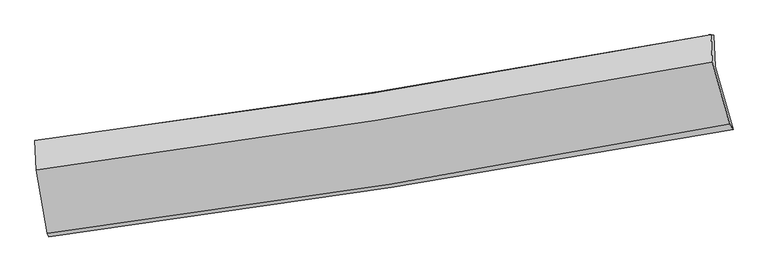
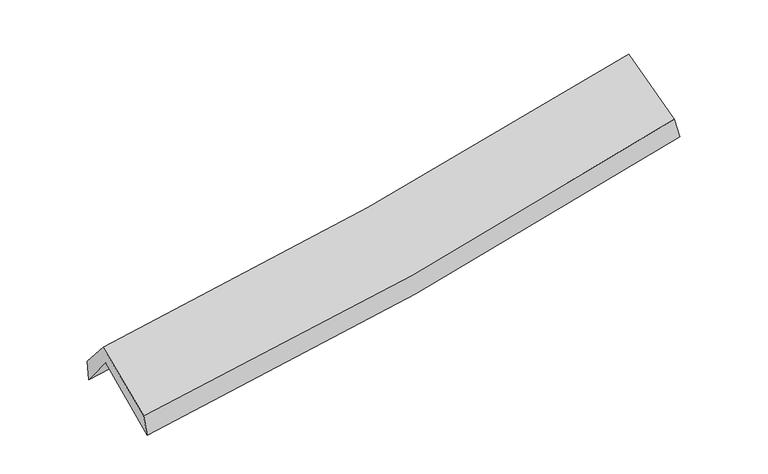
"""IFC4 building model written with IfcOpenShell, lengths in millimetres: proxy geometry."""

from ifc_helpers import new_model, si_unit, frame, origin, place, context, project, spatial, source, transform, mapped, element, save
from ifc_brep_helpers import plane_surface, spline_curve, spline_surface, advanced_brep


def generic_models_9d73f594(model_context):
    return source(origin(), model_context, "Body", "AdvancedBrep", [
        advanced_brep(
        [(-2631.8835746, -2496.7392099, 1475.1674181), (-2719.5632784, -1990.528313, 1907.3749983), (2652.4112904, -1144.7375965, 2384.3762152), (2794.7065397, -1641.8874502, 1976.3443505), (-2731.6352228, -1731.2554392, 1587.2645782), (2641.7074525, -894.7778432, 2067.7498951), (-2743.0555003, -1728.887685, 1770.8477598), (2619.8102413, -891.1888448, 2249.6810109), (-2731.1605048, -1963.8463293, 2045.1880868), (2629.9456886, -1108.8709724, 2518.44155), (-2646.2479144, -2467.2238928, 1652.9375931), (2768.8585448, -1601.6933343, 2132.3468893)],
        [
            (0, 1),
            (1, 2, spline_curve(3, [(-2719.5632784, -1990.528313, 1907.3749983), (-1820.120286986, -1873.417073163, 1953.72605689), (-924.059370707, -1744.624068601, 2016.48404224), (866.639411299, -1462.83403702, 2175.287527969), (1761.2366847, -1309.696803055, 2271.529948169), (2652.4112904, -1144.7375965, 2384.3762152)], [4, 2, 4], [0.0, 8.9781263340185, 18.009970832385772])),
            (2, 3),
            (3, 0, spline_curve(3, [(2794.7065397, -1641.8874502, 1976.3443505), (1894.09240589, -1807.723557935, 1854.945409933), (990.210959904, -1962.057533158, 1752.412729064), (-818.691161788, -2246.871705389, 1585.577503536), (-1723.673086988, -2377.488316762, 1521.051207112), (-2631.8835746, -2496.7392099, 1475.1674181)], [4, 2, 4], [0.0, 9.031844498367272, 18.009970832385772])),
            (1, 4),
            (4, 5, spline_curve(3, [(-2731.6352228, -1731.2554392, 1587.2645782), (-1832.369541026, -1613.651274073, 1634.330862607), (-936.284214388, -1485.382542233, 1697.736139792), (854.868182373, -1206.684675759, 1857.701807244), (1749.897080593, -1056.127542355, 1954.458302417), (2641.7074525, -894.7778432, 2067.7498951)], [4, 2, 4], [0.0, 8.93117108140754, 17.915779383247163])),
            (5, 2),
            (4, 6),
            (6, 7, spline_curve(3, [(-2743.0555003, -1728.887685, 1770.8477598), (-1844.96991461, -1618.199053241, 1825.694734162), (-950.344272982, -1493.297237395, 1892.865107706), (837.319167892, -1214.234881036, 2052.328282751), (1730.315440428, -1059.903749956, 2144.768992794), (2619.8102413, -891.1888448, 2249.6810109)], [4, 2, 4], [0.0, 8.92274596520606, 17.898878741464795])),
            (7, 5),
            (6, 8),
            (8, 9, spline_curve(3, [(-2731.1605048, -1963.8463293, 2045.1880868), (-1833.948857799, -1844.634566015, 2097.379478037), (-939.907244875, -1714.027339339, 2162.755887146), (847.166200611, -1429.172324988, 2320.348791473), (1740.159985317, -1274.787765973, 2412.723536945), (2629.9456886, -1108.8709724, 2518.44155)], [4, 2, 4], [0.0, 8.914500761959188, 17.882339002051616])),
            (9, 7),
            (8, 10),
            (10, 11, spline_curve(3, [(-2646.2479144, -2467.2238928, 1652.9375931), (-1739.404789273, -2352.424367349, 1701.251030354), (-836.059855366, -2223.155479008, 1765.192609492), (969.017617138, -1934.818958063, 1924.80813518), (1870.708169558, -1775.577660159, 2020.669654799), (2768.8585448, -1601.6933343, 2132.3468893)], [4, 2, 4], [0.0, 8.960428169966939, 17.974468612156628])),
            (11, 9),
            (10, 0),
            (3, 11),
        ],
        [
            spline_surface(3, 3, [[(-2631.8835746, -2496.7392099, 1475.1674181), (-1723.67308706, -2377.488316906, 1521.051207153), (-818.691161667, -2246.871705438, 1585.577503614), (990.210959783, -1962.057533108, 1752.412728985), (1894.092405823, -1807.723557975, 1854.945410032), (2794.7065397, -1641.8874502, 1976.3443505)], [(-2661.110142533, -2328.002244259, 1619.236611478), (-1755.822153704, -2209.464568989, 1665.276157089), (-853.813898034, -2079.455826461, 1729.213016527), (949.020443642, -1795.649701134, 1893.370995293), (1849.807165464, -1641.714639641, 1993.806922757), (2747.274789944, -1476.1708323, 2112.354972061)], [(-2690.336710467, -2159.265278641, 1763.305804922), (-1787.971220351, -2041.440821095, 1809.50110709), (-888.936634401, -1912.039947448, 1872.848529412), (907.829927502, -1629.241869125, 2034.329261574), (1805.521925072, -1475.705721308, 2132.6684355), (2699.843040156, -1310.4542144, 2248.365593639)], [(-2719.5632784, -1990.528313, 1907.3749983), (-1820.120286996, -1873.417073179, 1953.726057026), (-924.059370768, -1744.624068471, 2016.484042325), (866.639411361, -1462.834037151, 2175.287527882), (1761.236684712, -1309.696802975, 2271.529948226), (2652.4112904, -1144.7375965, 2384.3762152)]], [4, 4], [4, 2, 4], [0.0, 2.1911933851197642], [0.0, 8.9781263340185, 18.009970832385772]),
            spline_surface(3, 3, [[(-2719.5632784, -1990.528313, 1907.3749983), (-1820.120286996, -1873.417073179, 1953.726057026), (-924.059370768, -1744.624068471, 2016.484042325), (866.639411361, -1462.834037151, 2175.287527882), (1761.236684712, -1309.696802975, 2271.529948226), (2652.4112904, -1144.7375965, 2384.3762152)], [(-2723.587259878, -1904.104021742, 1800.671524942), (-1824.203371678, -1786.828473488, 1847.260992223), (-928.134318602, -1658.210226383, 1910.234741434), (862.715668325, -1377.450916663, 2069.425621007), (1757.456816659, -1225.17371604, 2165.839399667), (2648.843344412, -1061.41767871, 2278.834108528)], [(-2727.611241322, -1817.679730458, 1693.968051558), (-1828.286456325, -1700.23987377, 1740.795927394), (-932.209266436, -1571.796384344, 1803.985440607), (858.791925289, -1292.067796224, 1963.563714196), (1753.676948668, -1140.650629174, 2060.148851023), (2645.275398488, -978.09776099, 2173.292001772)], [(-2731.6352228, -1731.2554392, 1587.2645782), (-1832.369541007, -1613.65127408, 1634.330862591), (-936.28421427, -1485.382542256, 1697.736139716), (854.868182254, -1206.684675735, 1857.70180732), (1749.897080614, -1056.127542239, 1954.458302464), (2641.7074525, -894.7778432, 2067.7498951)]], [4, 4], [4, 2, 4], [0.0, 1.343839430286455], [0.0, 8.93117108140754, 17.915779383247163]),
            spline_surface(3, 3, [[(-2731.6352228, -1731.2554392, 1587.2645782), (-1832.369541007, -1613.65127408, 1634.330862591), (-936.28421427, -1485.382542256, 1697.736139716), (854.868182254, -1206.684675735, 1857.70180732), (1749.897080614, -1056.127542239, 1954.458302464), (2641.7074525, -894.7778432, 2067.7498951)], [(-2735.441981967, -1730.46618779, 1648.458972065), (-1836.569665517, -1615.167200489, 1698.118819742), (-940.97090054, -1488.020774008, 1762.779129038), (849.018510807, -1209.20141083, 1922.57729916), (1743.369867183, -1057.3862782, 2017.895199262), (2634.408382101, -893.581510417, 2128.393600352)], [(-2739.248741133, -1729.67693641, 1709.653365935), (-1840.769790026, -1616.683126928, 1761.906776899), (-945.657586771, -1490.65900571, 1827.822118329), (843.168839398, -1211.718145875, 1987.452790967), (1736.842653748, -1058.64501411, 2081.332096103), (2627.109311699, -892.385177583, 2189.037305648)], [(-2743.0555003, -1728.887685, 1770.8477598), (-1844.969914536, -1618.199053337, 1825.69473405), (-950.344273041, -1493.297237462, 1892.865107651), (837.319167951, -1214.234880969, 2052.328282806), (1730.315440317, -1059.903750072, 2144.7689929), (2619.8102413, -891.1888448, 2249.6810109)]], [4, 4], [4, 2, 4], [0.0, 0.6419605716888197], [0.0, 8.92274596520606, 17.898878741464795]),
            spline_surface(3, 3, [[(-2743.0555003, -1728.887685, 1770.8477598), (-1844.969914536, -1618.199053337, 1825.69473405), (-950.344273041, -1493.297237462, 1892.865107651), (837.319167951, -1214.234880969, 2052.328282806), (1730.315440317, -1059.903750072, 2144.7689929), (2619.8102413, -891.1888448, 2249.6810109)], [(-2739.090501798, -1807.2072331, 1862.294535479), (-1841.296229001, -1693.677557565, 1916.256315388), (-946.865263644, -1566.873938071, 1982.828700797), (840.601512133, -1285.880695616, 2141.66845239), (1733.596955282, -1131.531755373, 2234.087174232), (2623.188723734, -963.749554009, 2339.267857251)], [(-2735.125503302, -1885.5267812, 1953.741311121), (-1837.62254347, -1769.156061791, 2006.81789669), (-943.386254202, -1640.450638744, 2072.79229393), (843.88385636, -1357.526510327, 2231.008621959), (1736.878470244, -1203.159760648, 2323.405355611), (2626.567206166, -1036.310263191, 2428.854703649)], [(-2731.1605048, -1963.8463293, 2045.1880868), (-1833.948857934, -1844.634566019, 2097.379478027), (-939.907244805, -1714.027339353, 2162.755887077), (847.166200541, -1429.172324974, 2320.348791543), (1740.159985208, -1274.787765949, 2412.723536943), (2629.9456886, -1108.8709724, 2518.44155)]], [4, 4], [4, 2, 4], [0.0, 1.1359527767540756], [0.0, 8.914500761959188, 17.882339002051616]),
            spline_surface(3, 3, [[(-2731.1605048, -1963.8463293, 2045.1880868), (-1833.948857934, -1844.634566019, 2097.379478027), (-939.907244805, -1714.027339353, 2162.755887077), (847.166200541, -1429.172324974, 2320.348791543), (1740.159985208, -1274.787765949, 2412.723536943), (2629.9456886, -1108.8709724, 2518.44155)], [(-2702.856307985, -2131.638850488, 1914.437922226), (-1802.434168394, -2013.897833197, 1965.336662106), (-905.291448337, -1883.736719312, 2030.234794524), (887.783339415, -1597.721202654, 2188.501906115), (1783.676046684, -1441.717730664, 2282.038909601), (2676.249974004, -1273.145093034, 2389.743329792)], [(-2674.552111215, -2299.431371612, 1783.687757674), (-1770.919478898, -2183.161100311, 1833.293846206), (-870.675651864, -2053.446099183, 1897.713701969), (928.400478294, -1766.270080247, 2056.655020684), (1827.192108148, -1608.647695378, 2151.354282184), (2722.554259396, -1437.419213666, 2261.045109508)], [(-2646.2479144, -2467.2238928, 1652.9375931), (-1739.404789358, -2352.42436749, 1701.251030284), (-836.059855395, -2223.155479142, 1765.192609416), (969.017617168, -1934.818957928, 1924.808135256), (1870.708169624, -1775.577660093, 2020.669654842), (2768.8585448, -1601.6933343, 2132.3468893)]], [4, 4], [4, 2, 4], [0.0, 2.144944457549743], [0.0, 8.960428169966939, 17.974468612156628]),
            spline_surface(3, 3, [[(-2646.2479144, -2467.2238928, 1652.9375931), (-1739.404789358, -2352.42436749, 1701.251030284), (-836.059855395, -2223.155479142, 1765.192609416), (969.017617168, -1934.818957928, 1924.808135256), (1870.708169624, -1775.577660093, 2020.669654842), (2768.8585448, -1601.6933343, 2132.3468893)], [(-2641.459801139, -2477.06233182, 1593.680868111), (-1734.160888597, -2360.779017282, 1641.184422584), (-830.27029079, -2231.060887888, 1705.320907478), (976.082064736, -1943.898482969, 1867.342999828), (1878.502915028, -1786.292959384, 1965.428239887), (2777.474543104, -1615.09137293, 2080.346043016)], [(-2636.671687861, -2486.90077088, 1534.424143089), (-1728.91698782, -2369.133667114, 1581.117814853), (-824.480726273, -2238.966296692, 1645.449205553), (983.146512215, -1952.978008068, 1809.877864413), (1886.297660419, -1797.008258684, 1910.186824986), (2786.090541396, -1628.48941157, 2028.345196784)], [(-2631.8835746, -2496.7392099, 1475.1674181), (-1723.67308706, -2377.488316906, 1521.051207153), (-818.691161667, -2246.871705438, 1585.577503614), (990.210959783, -1962.057533108, 1752.412728985), (1894.092405823, -1807.723557975, 1854.945410032), (2794.7065397, -1641.8874502, 1976.3443505)]], [4, 4], [4, 2, 4], [0.0, 0.58682182680082], [0.0, 9.01563463195395, 18.08521184890281]),
            plane_surface(frame((2684.5732929, -1213.8593403, 2221.4899852), z_axis=(0.9759490325360993, 0.18594009359957897, 0.11379704514631196), x_axis=(0.2166181778529727, -0.7684982150129089, -0.6020689815508111))),
            plane_surface(frame((-2700.5909992, -2063.0801448, 1739.7967391), z_axis=(-0.9909138445418939, -0.12032824139895235, -0.0600904902379643), x_axis=(-0.07945962008991242, 0.16327070479636777, 0.983376248305024))),
        ],
        [
            (0, [[1, 2, 3, 4]]),
            (1, [[5, 6, 7, -2]]),
            (2, [[8, 9, 10, -6]]),
            (3, [[11, 12, 13, -9]]),
            (4, [[14, 15, 16, -12]]),
            (5, [[17, -4, 18, -15]]),
            (6, [[-16, -18, -3, -7, -10, -13]]),
            (7, [[-17, -14, -11, -8, -5, -1]]),
        ],
    ),
    ])


if __name__ == "__main__":
    model = new_model("IFC4")
    model_context = context("Model", 3, world=origin())
    ifc_project = project(units=[si_unit("LENGTHUNIT", "METRE", prefix="MILLI")], contexts=[model_context])
    site = spatial("IfcSite", under=ifc_project)
    building = spatial("IfcBuilding", under=site)
    placement = place(None, origin())
    generic_models_shape = generic_models_9d73f594(model_context)
    element("IfcBuildingElementProxy", 1, Name="Generic Models", at=placement, inside=building, context=model_context, shape_type="MappedRepresentation", body=[
        mapped(generic_models_shape, transform((0.0, 0.0, 0.0), x_axis=(1.0, 0.0, 0.0), y_axis=(0.0, 1.0, 0.0), z_axis=(0.0, 0.0, 1.0))),
    ])
    save(model, "model.ifc")
